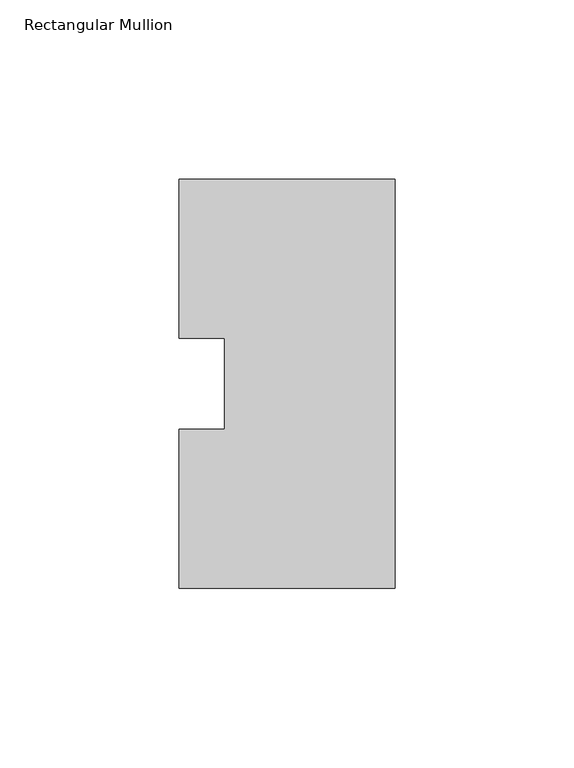
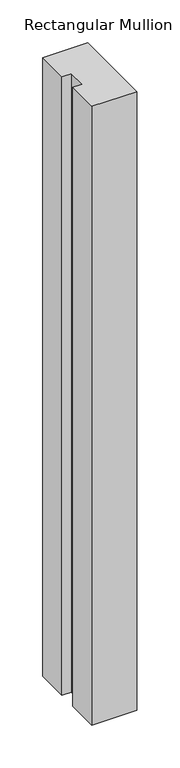
"""IFC4 building model written with IfcOpenShell, lengths in millimetres: member geometry, Rectangular Mullion."""

from ifc_helpers import new_model, si_unit, frame, origin, place, context, project, spatial, polyline, outline, extrude, source, transform, mapped, element, save


def rectangular_mullion_fccc32d3(model_context):
    return source(origin(), model_context, "Body", "SweptSolid", [
        extrude(outline(polyline([(-60.325, 57.15), (0.0, 57.15), (0.0, -57.15), (-60.325, -57.15), (-60.325, -12.7), (-47.6232296, -12.7), (-47.6232296, 12.7), (-60.325, 12.7), (-60.325, 57.15)])), frame((0.0, 0.0, -880.6344027), z_axis=(0.0, 0.0, 1.0), x_axis=(1.0, 0.0, 0.0)), (0.0, 0.0, 1.0), 880.6344027),
    ])


if __name__ == "__main__":
    model = new_model("IFC4")
    model_context = context("Model", 3, world=origin())
    ifc_project = project(units=[si_unit("LENGTHUNIT", "METRE", prefix="MILLI")], contexts=[model_context])
    site = spatial("IfcSite", under=ifc_project)
    building = spatial("IfcBuilding", under=site)
    placement = place(None, origin())
    rectangular_mullion_shape = rectangular_mullion_fccc32d3(model_context)
    element("IfcMember", 1, ObjectType="Rectangular Mullion", at=placement, inside=building, context=model_context, shape_type="MappedRepresentation", body=[
        mapped(rectangular_mullion_shape, transform((0.0, 0.0, 0.0), x_axis=(1.0, 0.0, 0.0), y_axis=(0.0, 1.0, 0.0), z_axis=(0.0, 0.0, 1.0))),
    ])
    save(model, "model.ifc")
